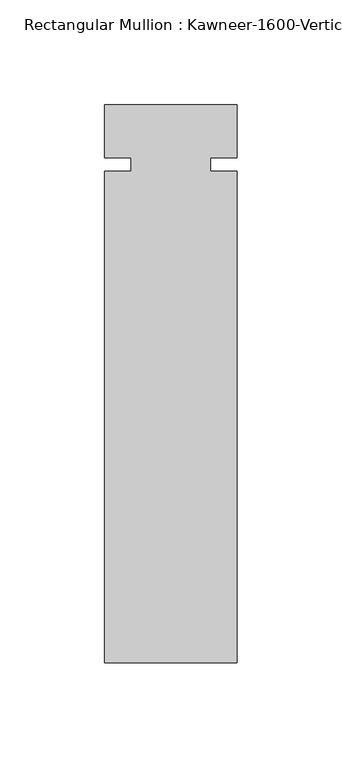
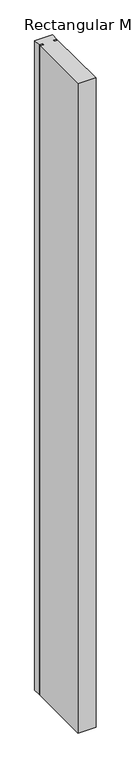
"""IFC4 building model written with IfcOpenShell, lengths in millimetres: member geometry."""

from ifc_helpers import new_model, si_unit, frame, origin, place, context, project, spatial, polyline, outline, extrude, source, transform, mapped, element, save


def member_78595dcc(model_context):
    return source(origin(), model_context, "Body", "SweptSolid", [
        extrude(outline(polyline([(31.75, -238.125), (-31.75, -238.125), (-31.75, -3.175), (-19.05, -3.175), (-19.05, 3.175), (-31.75, 3.175), (-31.75, 28.575), (31.75, 28.575), (31.75, 3.175), (19.05, 3.175), (19.05, -3.175), (31.75, -3.175), (31.75, -238.125)])), frame((0.0, 0.0, -2438.4), z_axis=(0.0, 0.0, 1.0), x_axis=(1.0, 0.0, 0.0)), (0.0, 0.0, 1.0), 2438.4),
    ])


if __name__ == "__main__":
    model = new_model("IFC4")
    model_context = context("Model", 3, world=origin())
    ifc_project = project(units=[si_unit("LENGTHUNIT", "METRE", prefix="MILLI")], contexts=[model_context])
    site = spatial("IfcSite", under=ifc_project)
    building = spatial("IfcBuilding", under=site)
    placement = place(None, origin())
    member_shape = member_78595dcc(model_context)
    element("IfcMember", 1, ObjectType="Rectangular Mullion : Kawneer-1600-Vertical_Interior-System1-10_1/2\"-1/4\"Infill", at=placement, inside=building, context=model_context, shape_type="MappedRepresentation", body=[
        mapped(member_shape, transform((0.0, 0.0, 0.0), x_axis=(1.0, 0.0, 0.0), y_axis=(0.0, 1.0, 0.0), z_axis=(0.0, 0.0, 1.0))),
    ])
    save(model, "model.ifc")
